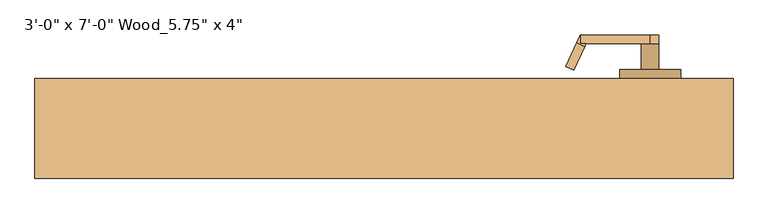
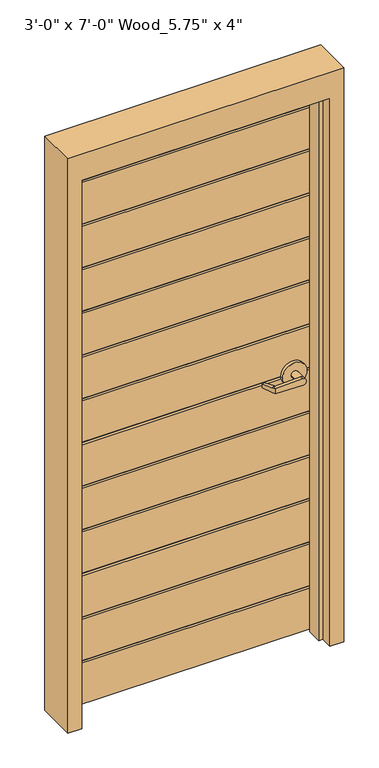
"""IFC4 building model written with IfcOpenShell, lengths in millimetres: door geometry."""

from ifc_helpers import new_model, si_unit, frame, origin, origin_with_axes, place, context, project, spatial, polyline, circle_curve, outline, extrude, faceted_brep, source, transform, mapped, element, save
from ifc_brep_helpers import plane_surface, cylinder_surface, advanced_brep


def door_082c9467(model_context):
    return source(origin(), model_context, "Body", "SolidModel", [
        advanced_brep(
        [(291.967857, -3.5976392, 1011.4125), (275.8661012, 30.9326875, 1014.5875), (275.8661012, 30.9326875, 1027.2875), (291.967857, -3.5976392, 1030.4625), (293.9157923, -7.775, 1030.4625), (293.9157923, -7.775, 1011.4125), (285.825, -20.475, 1030.4625), (280.4577481, -8.9648911, 1030.4625), (264.3559923, 25.5654356, 1027.2875), (264.3559923, 25.5654356, 1014.5875), (280.4577481, -8.9648911, 1011.4125), (285.825, -20.475, 1011.4125), (285.825, -7.775, 1011.4125), (285.825, -7.775, 1030.4625), (387.0275418, -20.475, 1008.2437209), (387.0275418, -20.475, 1033.6312791), (387.0275418, -7.775, 1033.6312791), (374.725, -7.775, 1020.9375), (387.0275418, -7.775, 1008.2437209), (400.125, -7.775, 1020.9375), (400.125, 30.325, 1020.9375), (374.725, 30.325, 1020.9375), (431.875, 30.325, 1020.9375), (342.975, 30.325, 1020.9375), (431.875, 43.025, 1020.9375), (342.975, 43.025, 1020.9375)],
        [
            (0, 1),
            (1, 2),
            (2, 3),
            (3, 4),
            (4, 5),
            (5, 0),
            (6, 7),
            (7, 8),
            (8, 9),
            (9, 10),
            (10, 11),
            (11, 6),
            (10, 0),
            (5, 12),
            (12, 11),
            (9, 1),
            (8, 2),
            (7, 3),
            (6, 13),
            (13, 4),
            (11, 14),
            (14, 15, circle_curve(frame((387.425, -20.475, 1020.9375), z_axis=(0.0, -1.0, 0.0), x_axis=(-1.0, 0.0, 0.0)), 12.7)),
            (15, 6),
            (13, 16),
            (16, 17, circle_curve(frame((387.425, -7.775, 1020.9375), z_axis=(0.0, -1.0, 0.0), x_axis=(-1.0, 0.0, 0.0)), 12.7)),
            (17, 18, circle_curve(frame((387.425, -7.775, 1020.9375), z_axis=(0.0, -1.0, 0.0), x_axis=(-1.0, 0.0, 0.0)), 12.7)),
            (18, 12),
            (18, 14),
            (18, 19, circle_curve(frame((387.425, -7.775, 1020.9375), z_axis=(0.0, -1.0, 0.0), x_axis=(-1.0, 0.0, 0.0)), 12.7)),
            (19, 16, circle_curve(frame((387.425, -7.775, 1020.9375), z_axis=(0.0, -1.0, 0.0), x_axis=(-1.0, 0.0, 0.0)), 12.7)),
            (16, 15),
            (19, 20),
            (20, 21, circle_curve(frame((387.425, 30.325, 1020.9375), z_axis=(0.0, -1.0, 0.0), x_axis=(-1.0, 0.0, 0.0)), 12.7)),
            (21, 17),
            (21, 20, circle_curve(frame((387.425, 30.325, 1020.9375), z_axis=(0.0, -1.0, 0.0), x_axis=(-1.0, 0.0, 0.0)), 12.7)),
            (22, 23, circle_curve(frame((387.425, 30.325, 1020.9375), z_axis=(0.0, -1.0, 0.0), x_axis=(-1.0, 0.0, 0.0)), 44.45)),
            (23, 22, circle_curve(frame((387.425, 30.325, 1020.9375), z_axis=(0.0, -1.0, 0.0), x_axis=(-1.0, 0.0, 0.0)), 44.45)),
            (24, 25, circle_curve(frame((387.425, 43.025, 1020.9375), z_axis=(0.0, 1.0, 0.0), x_axis=(-1.0, 0.0, 0.0)), 44.45)),
            (25, 24, circle_curve(frame((387.425, 43.025, 1020.9375), z_axis=(0.0, 1.0, 0.0), x_axis=(-1.0, 0.0, 0.0)), 44.45)),
            (22, 24),
            (25, 23),
        ],
        [
            plane_surface(frame((297.3351089, -15.1077481, 1011.4125), z_axis=(0.9063077870366494, 0.4226182617407007, 0.0), x_axis=(0.0, 0.0, -1.0))),
            plane_surface(frame((285.825, -20.475, 1011.4125), z_axis=(-0.9063077870366494, -0.4226182617407007, 0.0), x_axis=(0.0, 0.0, 1.0))),
            plane_surface(frame((297.3351089, -15.1077481, 1011.4125), z_axis=(0.0, 0.0, -1.0000000000000002), x_axis=(-0.9063077870366494, -0.42261826174070094, 0.0))),
            plane_surface(frame((291.967857, -3.5976392, 1011.4125), z_axis=(-0.035096536341209676, 0.0752647650696388, -0.9965457582448799), x_axis=(-0.9063077870366494, -0.42261826174070094, 0.0))),
            plane_surface(frame((275.8661012, 30.9326875, 1014.5875), z_axis=(-0.42261826174070094, 0.9063077870366494, 0.0), x_axis=(-0.9063077870366494, -0.42261826174070094, 0.0))),
            plane_surface(frame((275.8661012, 30.9326875, 1027.2875), z_axis=(-0.035096536341210356, 0.07526476506964089, 0.9965457582448796), x_axis=(-0.9063077870366495, -0.42261826174070033, 0.0))),
            plane_surface(frame((291.967857, -3.5976392, 1030.4625), z_axis=(0.0, 0.0, 1.0000000000000002), x_axis=(-0.9063077870366494, -0.42261826174070094, 0.0))),
            plane_surface(frame((285.825, -20.475, 1011.4125), z_axis=(0.0, -1.0, 0.0), x_axis=(0.9995101626549141, 0.0, -0.031295922251106556))),
            plane_surface(frame((285.825, -7.775, 1011.4125), z_axis=(0.0, 1.0, 0.0), x_axis=(-0.9995101626549141, 0.0, 0.031295922251106556))),
            plane_surface(frame((285.825, -20.475, 1011.4125), z_axis=(-0.031295922251106556, 0.0, -0.9995101626549141), x_axis=(0.0, 1.0, 0.0))),
            cylinder_surface(frame((387.425, -7.775, 1020.9375), z_axis=(0.0, -1.0, 0.0), x_axis=(-1.0, 0.0, 0.0)), 12.7),
            plane_surface(frame((387.0275418, -20.475, 1033.6312791), z_axis=(-0.03129592225110274, 0.0, 0.9995101626549142), x_axis=(0.0, 1.0, 0.0))),
            cylinder_surface(frame((387.425, 30.325, 1020.9375), z_axis=(0.0, -1.0, 0.0), x_axis=(-1.0, 0.0, 0.0)), 12.7),
            plane_surface(frame((342.975, 30.325, 1020.9375), z_axis=(0.0, -1.0, 0.0), x_axis=(0.0, 0.0, -1.0))),
            plane_surface(frame((342.975, 43.025, 1020.9375), z_axis=(0.0, 1.0, 0.0), x_axis=(0.0, 0.0, 1.0))),
            cylinder_surface(frame((387.425, 43.025, 1020.9375), z_axis=(0.0, -1.0, 0.0), x_axis=(-1.0, 0.0, 0.0)), 44.45),
        ],
        [
            (0, [[1, 2, 3, 4, 5, 6]]),
            (1, [[7, 8, 9, 10, 11, 12]]),
            (2, [[-11, 13, -6, 14, 15]]),
            (3, [[-1, -13, -10, 16]]),
            (4, [[-2, -16, -9, 17]]),
            (5, [[-3, -17, -8, 18]]),
            (6, [[-7, 19, 20, -4, -18]]),
            (7, [[21, 22, 23, -12]]),
            (8, [[24, 25, 26, 27, -14, -5, -20]]),
            (9, [[-21, -15, -27, 28]]),
            (10, [[-22, -28, 29, 30, 31]]),
            (11, [[-23, -31, -24, -19]]),
            (12, [[32, 33, 34, -25, -30]]),
            (12, [[-32, -29, -26, -34, 35]]),
            (13, [[36, 37], [-33, -35]]),
            (14, [[38, 39]]),
            (15, [[-36, 40, -39, 41]]),
            (15, [[-37, -41, -38, -40]]),
        ],
    ),
        advanced_brep(
        [(291.892857, 119.6476392, 1025.525), (275.7911012, 85.1173125, 1022.35), (275.7911012, 85.1173125, 1009.65), (291.892857, 119.6476392, 1006.475), (293.8407923, 123.825, 1006.475), (293.8407923, 123.825, 1025.525), (285.75, 136.525, 1006.475), (280.3827481, 125.0148911, 1006.475), (264.2809923, 90.4845644, 1009.65), (264.2809923, 90.4845644, 1022.35), (280.3827481, 125.0148911, 1025.525), (285.75, 136.525, 1025.525), (285.75, 123.825, 1025.525), (285.75, 123.825, 1006.475), (386.9525418, 136.525, 1028.6937791), (386.9525418, 136.525, 1003.3062209), (386.9525418, 123.825, 1003.3062209), (374.65, 123.825, 1016.0), (386.9525418, 123.825, 1028.6937791), (400.05, 123.825, 1016.0), (400.05, 85.725, 1016.0), (374.65, 85.725, 1016.0), (431.8, 85.725, 1016.0), (342.9, 85.725, 1016.0), (431.8, 73.025, 1016.0), (342.9, 73.025, 1016.0)],
        [
            (0, 1),
            (1, 2),
            (2, 3),
            (3, 4),
            (4, 5),
            (5, 0),
            (6, 7),
            (7, 8),
            (8, 9),
            (9, 10),
            (10, 11),
            (11, 6),
            (10, 0),
            (5, 12),
            (12, 11),
            (9, 1),
            (8, 2),
            (7, 3),
            (6, 13),
            (13, 4),
            (11, 14),
            (14, 15, circle_curve(frame((387.35, 136.525, 1016.0), z_axis=(0.0, 1.0, 0.0), x_axis=(-1.0, 0.0, 0.0)), 12.7)),
            (15, 6),
            (13, 16),
            (16, 17, circle_curve(frame((387.35, 123.825, 1016.0), z_axis=(0.0, 1.0, 0.0), x_axis=(-1.0, 0.0, 0.0)), 12.7)),
            (17, 18, circle_curve(frame((387.35, 123.825, 1016.0), z_axis=(0.0, 1.0, 0.0), x_axis=(-1.0, 0.0, 0.0)), 12.7)),
            (18, 12),
            (18, 14),
            (18, 19, circle_curve(frame((387.35, 123.825, 1016.0), z_axis=(0.0, 1.0, 0.0), x_axis=(-1.0, 0.0, 0.0)), 12.7)),
            (19, 16, circle_curve(frame((387.35, 123.825, 1016.0), z_axis=(0.0, 1.0, 0.0), x_axis=(-1.0, 0.0, 0.0)), 12.7)),
            (16, 15),
            (19, 20),
            (20, 21, circle_curve(frame((387.35, 85.725, 1016.0), z_axis=(0.0, 1.0, 0.0), x_axis=(-1.0, 0.0, 0.0)), 12.7)),
            (21, 17),
            (21, 20, circle_curve(frame((387.35, 85.725, 1016.0), z_axis=(0.0, 1.0, 0.0), x_axis=(-1.0, 0.0, 0.0)), 12.7)),
            (22, 23, circle_curve(frame((387.35, 85.725, 1016.0), z_axis=(0.0, 1.0, 0.0), x_axis=(-1.0, 0.0, 0.0)), 44.45)),
            (23, 22, circle_curve(frame((387.35, 85.725, 1016.0), z_axis=(0.0, 1.0, 0.0), x_axis=(-1.0, 0.0, 0.0)), 44.45)),
            (24, 25, circle_curve(frame((387.35, 73.025, 1016.0), z_axis=(0.0, -1.0, 0.0), x_axis=(-1.0, 0.0, 0.0)), 44.45)),
            (25, 24, circle_curve(frame((387.35, 73.025, 1016.0), z_axis=(0.0, -1.0, 0.0), x_axis=(-1.0, 0.0, 0.0)), 44.45)),
            (22, 24),
            (25, 23),
        ],
        [
            plane_surface(frame((297.2601089, 131.1577481, 1025.525), z_axis=(0.9063077870366494, -0.4226182617407007, 0.0), x_axis=(0.0, 0.0, 1.0))),
            plane_surface(frame((285.75, 136.525, 1025.525), z_axis=(-0.9063077870366494, 0.4226182617407007, 0.0), x_axis=(0.0, 0.0, -1.0))),
            plane_surface(frame((297.2601089, 131.1577481, 1025.525), z_axis=(0.0, 0.0, 1.0000000000000002), x_axis=(-0.9063077870366494, 0.42261826174070094, 0.0))),
            plane_surface(frame((291.892857, 119.6476392, 1025.525), z_axis=(-0.03509653634120952, -0.07526476506963879, 0.9965457582448799), x_axis=(-0.9063077870366494, 0.42261826174070094, 0.0))),
            plane_surface(frame((275.7911012, 85.1173125, 1022.35), z_axis=(-0.42261826174070094, -0.9063077870366494, 0.0), x_axis=(-0.9063077870366494, 0.42261826174070094, 0.0))),
            plane_surface(frame((275.7911012, 85.1173125, 1009.65), z_axis=(-0.03509653634121051, -0.07526476506964089, -0.9965457582448796), x_axis=(-0.9063077870366495, 0.42261826174070033, 0.0))),
            plane_surface(frame((291.892857, 119.6476392, 1006.475), z_axis=(0.0, 0.0, -1.0000000000000002), x_axis=(-0.9063077870366494, 0.42261826174070094, 0.0))),
            plane_surface(frame((285.75, 136.525, 1025.525), z_axis=(0.0, 1.0, 0.0), x_axis=(0.9995101626549141, 0.0, 0.0312959222511064))),
            plane_surface(frame((285.75, 123.825, 1025.525), z_axis=(0.0, -1.0, 0.0), x_axis=(-0.9995101626549141, 0.0, -0.0312959222511064))),
            plane_surface(frame((285.75, 136.525, 1025.525), z_axis=(-0.0312959222511064, 0.0, 0.9995101626549141), x_axis=(0.0, -1.0, 0.0))),
            cylinder_surface(frame((387.35, 123.825, 1016.0), z_axis=(0.0, 1.0, 0.0), x_axis=(-1.0, 0.0, 0.0)), 12.7),
            plane_surface(frame((386.9525418, 136.525, 1003.3062209), z_axis=(-0.03129592225110289, 0.0, -0.9995101626549142), x_axis=(0.0, -1.0, 0.0))),
            cylinder_surface(frame((387.35, 85.725, 1016.0), z_axis=(0.0, 1.0, 0.0), x_axis=(-1.0, 0.0, 0.0)), 12.7),
            plane_surface(frame((342.9, 85.725, 1016.0), z_axis=(0.0, 1.0, 0.0), x_axis=(0.0, 0.0, 1.0))),
            plane_surface(frame((342.9, 73.025, 1016.0), z_axis=(0.0, -1.0, 0.0), x_axis=(0.0, 0.0, -1.0))),
            cylinder_surface(frame((387.35, 73.025, 1016.0), z_axis=(0.0, 1.0, 0.0), x_axis=(-1.0, 0.0, 0.0)), 44.45),
        ],
        [
            (0, [[1, 2, 3, 4, 5, 6]]),
            (1, [[7, 8, 9, 10, 11, 12]]),
            (2, [[-11, 13, -6, 14, 15]]),
            (3, [[-1, -13, -10, 16]]),
            (4, [[-2, -16, -9, 17]]),
            (5, [[-3, -17, -8, 18]]),
            (6, [[-7, 19, 20, -4, -18]]),
            (7, [[21, 22, 23, -12]]),
            (8, [[24, 25, 26, 27, -14, -5, -20]]),
            (9, [[-21, -15, -27, 28]]),
            (10, [[-22, -28, 29, 30, 31]]),
            (11, [[-23, -31, -24, -19]]),
            (12, [[32, 33, 34, -25, -30]]),
            (12, [[-32, -29, -26, -34, 35]]),
            (13, [[36, 37], [-33, -35]]),
            (14, [[38, 39]]),
            (15, [[-36, 40, -39, 41]]),
            (15, [[-37, -41, -38, -40]]),
        ],
    ),
        faceted_brep([(-457.2, 73.025, 0.0), (-457.2, 28.575, 0.0), (-441.325, 28.575, 0.0), (-441.325, -28.575, 0.0), (-457.2, -28.575, 0.0), (-457.2, -73.025, 0.0), (-508.0, -73.025, 0.0), (-508.0, 73.025, 0.0), (-457.2, 73.025, 2133.6), (-457.2, 28.575, 2133.6), (457.2, 28.575, 2133.6), (457.2, 28.575, 0.0), (441.325, 28.575, 0.0), (441.325, 28.575, 2117.725), (-441.325, 28.575, 2117.725), (-441.325, -28.575, 2117.725), (441.325, -28.575, 2117.725), (441.325, -28.575, 0.0), (457.2, -28.575, 0.0), (457.2, -28.575, 2133.6), (-457.2, -28.575, 2133.6), (-457.2, -73.025, 2133.6), (457.2, -73.025, 2133.6), (457.2, -73.025, 0.0), (508.0, -73.025, 0.0), (508.0, -73.025, 2235.2), (-508.0, -73.025, 2235.2), (-508.0, 73.025, 2235.2), (508.0, 73.025, 2235.2), (508.0, 73.025, 0.0), (457.2, 73.025, 0.0), (457.2, 73.025, 2133.6)], [[[0, 1, 2, 3, 4, 5, 6, 7]], [[1, 0, 8, 9]], [[2, 1, 9, 10, 11, 12, 13, 14]], [[3, 2, 14, 15]], [[4, 3, 15, 16, 17, 18, 19, 20]], [[5, 4, 20, 21]], [[6, 5, 21, 22, 23, 24, 25, 26]], [[7, 6, 26, 27]], [[0, 7, 27, 28, 29, 30, 31, 8]], [[30, 11, 10, 31]], [[30, 29, 24, 23, 18, 17, 12, 11]], [[12, 17, 16, 13]], [[19, 18, 23, 22]], [[29, 28, 25, 24]], [[25, 28, 27, 26]], [[21, 20, 19, 22]], [[15, 14, 13, 16]], [[10, 9, 8, 31]]]),
        extrude(outline(polyline([(-457.2, 73.025), (457.2, 73.025), (457.2, 63.025), (-457.2, 63.025), (-457.2, 73.025)])), origin_with_axes(), (0.0, 0.0, 1.0), 160.0),
        extrude(outline(polyline([(-457.2, 73.025), (457.2, 73.025), (457.2, 63.025), (-457.2, 63.025), (-457.2, 73.025)])), frame((0.0, 0.0, 170.0), z_axis=(0.0, 0.0, 1.0), x_axis=(1.0, 0.0, 0.0)), (0.0, 0.0, 1.0), 160.0),
        extrude(outline(polyline([(-457.2, 73.025), (457.2, 73.025), (457.2, 63.025), (-457.2, 63.025), (-457.2, 73.025)])), frame((0.0, 0.0, 340.0), z_axis=(0.0, 0.0, 1.0), x_axis=(1.0, 0.0, 0.0)), (0.0, 0.0, 1.0), 160.0),
        extrude(outline(polyline([(-457.2, 73.025), (457.2, 73.025), (457.2, 63.025), (-457.2, 63.025), (-457.2, 73.025)])), frame((0.0, 0.0, 510.0), z_axis=(0.0, 0.0, 1.0), x_axis=(1.0, 0.0, 0.0)), (0.0, 0.0, 1.0), 160.0),
        extrude(outline(polyline([(-457.2, 73.025), (457.2, 73.025), (457.2, 63.025), (-457.2, 63.025), (-457.2, 73.025)])), frame((0.0, 0.0, 680.0), z_axis=(0.0, 0.0, 1.0), x_axis=(1.0, 0.0, 0.0)), (0.0, 0.0, 1.0), 160.0),
        extrude(outline(polyline([(-457.2, 73.025), (457.2, 73.025), (457.2, 63.025), (-457.2, 63.025), (-457.2, 73.025)])), frame((0.0, 0.0, 850.0), z_axis=(0.0, 0.0, 1.0), x_axis=(1.0, 0.0, 0.0)), (0.0, 0.0, 1.0), 160.0),
        extrude(outline(polyline([(-457.2, 73.025), (457.2, 73.025), (457.2, 63.025), (-457.2, 63.025), (-457.2, 73.025)])), frame((0.0, 0.0, 1020.0), z_axis=(0.0, 0.0, 1.0), x_axis=(1.0, 0.0, 0.0)), (0.0, 0.0, 1.0), 160.0),
        extrude(outline(polyline([(-457.2, 73.025), (457.2, 73.025), (457.2, 63.025), (-457.2, 63.025), (-457.2, 73.025)])), frame((0.0, 0.0, 1190.0), z_axis=(0.0, 0.0, 1.0), x_axis=(1.0, 0.0, 0.0)), (0.0, 0.0, 1.0), 160.0),
        extrude(outline(polyline([(-457.2, 73.025), (457.2, 73.025), (457.2, 63.025), (-457.2, 63.025), (-457.2, 73.025)])), frame((0.0, 0.0, 1360.0), z_axis=(0.0, 0.0, 1.0), x_axis=(1.0, 0.0, 0.0)), (0.0, 0.0, 1.0), 160.0),
        extrude(outline(polyline([(-457.2, 73.025), (457.2, 73.025), (457.2, 63.025), (-457.2, 63.025), (-457.2, 73.025)])), frame((0.0, 0.0, 1530.0), z_axis=(0.0, 0.0, 1.0), x_axis=(1.0, 0.0, 0.0)), (0.0, 0.0, 1.0), 160.0),
        extrude(outline(polyline([(-457.2, 73.025), (457.2, 73.025), (457.2, 63.025), (-457.2, 63.025), (-457.2, 73.025)])), frame((0.0, 0.0, 1700.0), z_axis=(0.0, 0.0, 1.0), x_axis=(1.0, 0.0, 0.0)), (0.0, 0.0, 1.0), 160.0),
        extrude(outline(polyline([(-457.2, 73.025), (457.2, 73.025), (457.2, 63.025), (-457.2, 63.025), (-457.2, 73.025)])), frame((0.0, 0.0, 1870.0), z_axis=(0.0, 0.0, 1.0), x_axis=(1.0, 0.0, 0.0)), (0.0, 0.0, 1.0), 160.0),
        extrude(outline(polyline([(-457.2, 73.025), (457.2, 73.025), (457.2, 63.025), (-457.2, 63.025), (-457.2, 73.025)])), frame((0.0, 0.0, 2040.0), z_axis=(0.0, 0.0, 1.0), x_axis=(1.0, 0.0, 0.0)), (0.0, 0.0, 1.0), 93.6),
        extrude(outline(polyline([(-457.2, 53.025), (457.2, 53.025), (457.2, 43.025), (-457.2, 43.025), (-457.2, 53.025)])), origin_with_axes(), (0.0, 0.0, 1.0), 160.0),
        extrude(outline(polyline([(-457.2, 53.025), (457.2, 53.025), (457.2, 43.025), (-457.2, 43.025), (-457.2, 53.025)])), frame((0.0, 0.0, 170.0), z_axis=(0.0, 0.0, 1.0), x_axis=(1.0, 0.0, 0.0)), (0.0, 0.0, 1.0), 160.0),
        extrude(outline(polyline([(-457.2, 53.025), (457.2, 53.025), (457.2, 43.025), (-457.2, 43.025), (-457.2, 53.025)])), frame((0.0, 0.0, 340.0), z_axis=(0.0, 0.0, 1.0), x_axis=(1.0, 0.0, 0.0)), (0.0, 0.0, 1.0), 160.0),
        extrude(outline(polyline([(-457.2, 53.025), (457.2, 53.025), (457.2, 43.025), (-457.2, 43.025), (-457.2, 53.025)])), frame((0.0, 0.0, 510.0), z_axis=(0.0, 0.0, 1.0), x_axis=(1.0, 0.0, 0.0)), (0.0, 0.0, 1.0), 160.0),
        extrude(outline(polyline([(-457.2, 53.025), (457.2, 53.025), (457.2, 43.025), (-457.2, 43.025), (-457.2, 53.025)])), frame((0.0, 0.0, 680.0), z_axis=(0.0, 0.0, 1.0), x_axis=(1.0, 0.0, 0.0)), (0.0, 0.0, 1.0), 160.0),
        extrude(outline(polyline([(-457.2, 53.025), (457.2, 53.025), (457.2, 43.025), (-457.2, 43.025), (-457.2, 53.025)])), frame((0.0, 0.0, 850.0), z_axis=(0.0, 0.0, 1.0), x_axis=(1.0, 0.0, 0.0)), (0.0, 0.0, 1.0), 160.0),
        extrude(outline(polyline([(-457.2, 53.025), (457.2, 53.025), (457.2, 43.025), (-457.2, 43.025), (-457.2, 53.025)])), frame((0.0, 0.0, 1020.0), z_axis=(0.0, 0.0, 1.0), x_axis=(1.0, 0.0, 0.0)), (0.0, 0.0, 1.0), 160.0),
        extrude(outline(polyline([(-457.2, 53.025), (457.2, 53.025), (457.2, 43.025), (-457.2, 43.025), (-457.2, 53.025)])), frame((0.0, 0.0, 1190.0), z_axis=(0.0, 0.0, 1.0), x_axis=(1.0, 0.0, 0.0)), (0.0, 0.0, 1.0), 160.0),
        extrude(outline(polyline([(-457.2, 53.025), (457.2, 53.025), (457.2, 43.025), (-457.2, 43.025), (-457.2, 53.025)])), frame((0.0, 0.0, 1360.0), z_axis=(0.0, 0.0, 1.0), x_axis=(1.0, 0.0, 0.0)), (0.0, 0.0, 1.0), 160.0),
        extrude(outline(polyline([(-457.2, 53.025), (457.2, 53.025), (457.2, 43.025), (-457.2, 43.025), (-457.2, 53.025)])), frame((0.0, 0.0, 1530.0), z_axis=(0.0, 0.0, 1.0), x_axis=(1.0, 0.0, 0.0)), (0.0, 0.0, 1.0), 160.0),
        extrude(outline(polyline([(-457.2, 53.025), (457.2, 53.025), (457.2, 43.025), (-457.2, 43.025), (-457.2, 53.025)])), frame((0.0, 0.0, 1700.0), z_axis=(0.0, 0.0, 1.0), x_axis=(1.0, 0.0, 0.0)), (0.0, 0.0, 1.0), 160.0),
        extrude(outline(polyline([(-457.2, 53.025), (457.2, 53.025), (457.2, 43.025), (-457.2, 43.025), (-457.2, 53.025)])), frame((0.0, 0.0, 1870.0), z_axis=(0.0, 0.0, 1.0), x_axis=(1.0, 0.0, 0.0)), (0.0, 0.0, 1.0), 160.0),
        extrude(outline(polyline([(-457.2, 53.025), (457.2, 53.025), (457.2, 43.025), (-457.2, 43.025), (-457.2, 53.025)])), frame((0.0, 0.0, 2040.0), z_axis=(0.0, 0.0, 1.0), x_axis=(1.0, 0.0, 0.0)), (0.0, 0.0, 1.0), 93.6),
        extrude(outline(polyline([(-457.2, 63.025), (457.2, 63.025), (457.2, 53.025), (-457.2, 53.025), (-457.2, 63.025)])), origin_with_axes(), (0.0, 0.0, 1.0), 2133.6),
    ])


if __name__ == "__main__":
    model = new_model("IFC4")
    model_context = context("Model", 3, world=origin())
    ifc_project = project(units=[si_unit("LENGTHUNIT", "METRE", prefix="MILLI")], contexts=[model_context])
    site = spatial("IfcSite", under=ifc_project)
    building = spatial("IfcBuilding", under=site)
    placement = place(None, origin())
    door_shape = door_082c9467(model_context)
    element("IfcDoor", 1, ObjectType="3'-0\" x 7'-0\" Wood_5.75\" x 4\"", at=placement, inside=building, context=model_context, shape_type="MappedRepresentation", body=[
        mapped(door_shape, transform((0.0, 0.0, 0.0), x_axis=(1.0, 0.0, 0.0), y_axis=(0.0, 1.0, 0.0), z_axis=(0.0, 0.0, 1.0))),
    ])
    save(model, "model.ifc")
